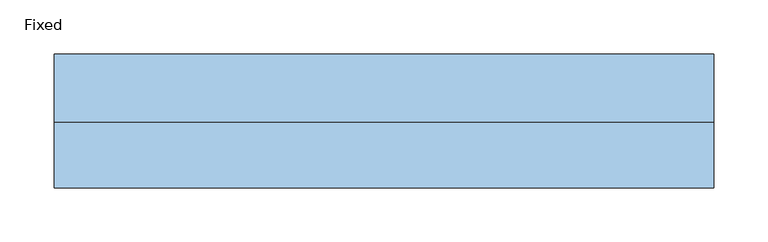
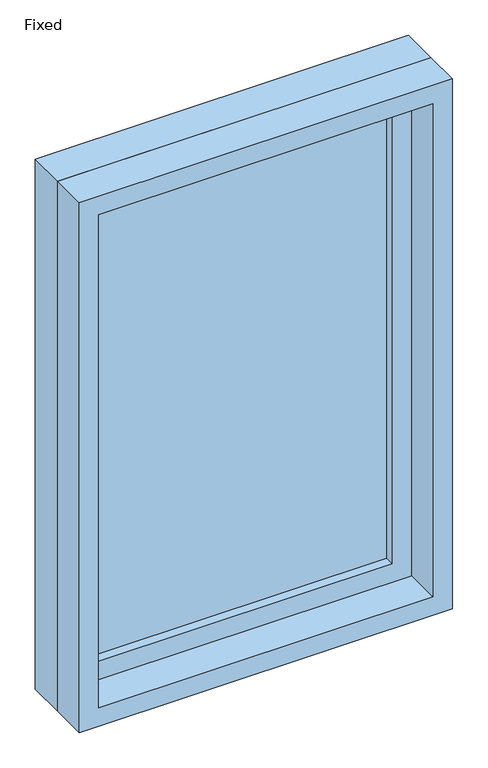
"""IFC4 building model written with IfcOpenShell, lengths in millimetres: window geometry, Fixed."""

from ifc_helpers import new_model, si_unit, frame, origin, place, context, project, spatial, polyline, outline, extrude, source, transform, mapped, element, save


def fixed_d166d127(model_context):
    return source(origin(), model_context, "Body", "SweptSolid", [
        extrude(outline(polyline([(203.2, 14.2875), (-279.4, 14.2875), (-279.4, 26.9875), (203.2, 26.9875), (203.2, 14.2875)])), frame((0.0, 0.0, 1130.3), z_axis=(0.0, 0.0, 1.0), x_axis=(1.0, 0.0, 0.0)), (0.0, 0.0, 1.0), 787.4),
        extrude(outline(polyline([(1962.15, -323.85), (1085.85, -323.85), (1085.85, 247.65), (1962.15, 247.65), (1962.15, -323.85)]), holes=[polyline([(1917.7, -279.4), (1917.7, 203.2), (1130.3, 203.2), (1130.3, -279.4), (1917.7, -279.4)])]), frame((0.0, -1.5875, 0.0), z_axis=(0.0, 1.0, 0.0), x_axis=(0.0, 0.0, 1.0)), (0.0, 0.0, 1.0), 44.45),
        extrude(outline(polyline([(1981.2, -342.9), (1066.8, -342.9), (1066.8, 266.7), (1981.2, 266.7), (1981.2, -342.9)]), holes=[polyline([(1949.45, -311.15), (1949.45, 234.95), (1098.55, 234.95), (1098.55, -311.15), (1949.45, -311.15)])]), frame((0.0, -61.9125, 0.0), z_axis=(0.0, 1.0, 0.0), x_axis=(0.0, 0.0, 1.0)), (0.0, 0.0, 1.0), 60.325),
        extrude(outline(polyline([(1981.2, 266.7), (1981.2, -342.9), (1066.8, -342.9), (1066.8, 266.7), (1981.2, 266.7)]), holes=[polyline([(1962.15, 247.65), (1085.85, 247.65), (1085.85, -323.85), (1962.15, -323.85), (1962.15, 247.65)])]), frame((0.0, -1.5875, 0.0), z_axis=(0.0, 1.0, 0.0), x_axis=(0.0, 0.0, 1.0)), (0.0, 0.0, 1.0), 63.5),
    ])


if __name__ == "__main__":
    model = new_model("IFC4")
    model_context = context("Model", 3, world=origin())
    ifc_project = project(units=[si_unit("LENGTHUNIT", "METRE", prefix="MILLI")], contexts=[model_context])
    site = spatial("IfcSite", under=ifc_project)
    building = spatial("IfcBuilding", under=site)
    placement = place(None, origin())
    fixed_shape = fixed_d166d127(model_context)
    element("IfcWindow", 1, ObjectType="Fixed", at=placement, inside=building, context=model_context, shape_type="MappedRepresentation", body=[
        mapped(fixed_shape, transform((0.0, 0.0, 0.0), x_axis=(1.0, 0.0, 0.0), y_axis=(0.0, 1.0, 0.0), z_axis=(0.0, 0.0, 1.0))),
    ])
    save(model, "model.ifc")
